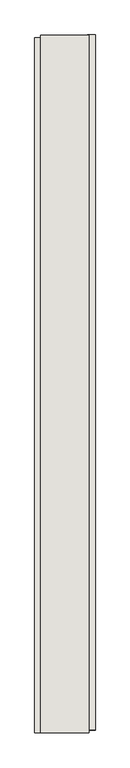
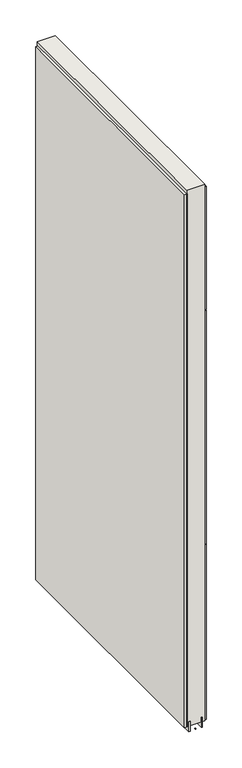
"""IFC4 building model written with IfcOpenShell, lengths in millimetres: wall geometry."""

import ifcopenshell
import ifcopenshell.guid

model = None  # the IFC model being written
_history = None  # IfcOwnerHistory: only IFC2X3 demands one
_inside = {}  # id of a spatial element -> (the spatial element, [elements in it])
_under = {}  # id of a project, library or spatial element -> (it, [spatial elements below it])
_declared = {}  # id of a project -> (the project, [libraries it declares])
_typed = {}  # id of a type object -> (the type object, [elements of that type])
_made_of = {}  # id of a material, layer set ... -> (it, [elements and type objects made of it])


def new_model(schema):
    """Start an empty IFC model of exactly this schema.

    Asked for "IFC4X3", IfcOpenShell would pick the latest addendum, in which some entities
    have other attributes; the version numbers below select the first issue.
    IFC2X3 requires an IfcOwnerHistory on every rooted entity: one is made here for all.
    """
    global model, _history
    if schema == "IFC4X3":
        model = ifcopenshell.file(schema_version=(4, 3, 0, 0))
    else:
        model = ifcopenshell.file(schema=schema)
    _inside.clear()
    _under.clear()
    _declared.clear()
    _typed.clear()
    _made_of.clear()
    _history = None
    if model.schema == "IFC2X3":
        org = make("IfcOrganization", Name="unknown")
        user = make(
            "IfcPersonAndOrganization",
            ThePerson=make("IfcPerson", FamilyName="unknown"),
            TheOrganization=org,
        )
        app = make(
            "IfcApplication",
            ApplicationDeveloper=org,
            Version="unknown",
            ApplicationFullName="unknown",
            ApplicationIdentifier="unknown",
        )
        _history = make(
            "IfcOwnerHistory",
            OwningUser=user,
            OwningApplication=app,
            ChangeAction="ADDED",
            CreationDate=0,
        )
    return model


def make(cls, **values):
    """One entity of the class cls with the attributes given. An attribute that is None is left unset."""
    return model.create_entity(
        cls, **{name: value for name, value in values.items() if value is not None}
    )


def rooted(cls, **values):
    """An entity with a GlobalId (a new one), such as an element, a storey or a relation."""
    return make(cls, GlobalId=ifcopenshell.guid.new(), OwnerHistory=_history, **values)


def si_unit(unit_type, name, prefix=None):
    """IfcSIUnit, for example si_unit("LENGTHUNIT", "METRE", prefix="MILLI")."""
    return make("IfcSIUnit", UnitType=unit_type, Prefix=prefix, Name=name)


def assignment(units):
    """IfcUnitAssignment: the units of a project."""
    return None if units is None else make("IfcUnitAssignment", Units=units)


def point(xyz):
    """IfcCartesianPoint."""
    return None if xyz is None else make("IfcCartesianPoint", Coordinates=xyz)


def direction(xyz):
    """IfcDirection."""
    return None if xyz is None else make("IfcDirection", DirectionRatios=xyz)


def frame(location, z_axis=None, x_axis=None):
    """IfcAxis2Placement3D, a coordinate frame: its origin and axes. An axis left out is left unset."""
    return make(
        "IfcAxis2Placement3D",
        Location=point(location),
        Axis=direction(z_axis),
        RefDirection=direction(x_axis),
    )


def origin():
    """The frame at (0, 0, 0) with its axes left unset."""
    return frame((0.0, 0.0, 0.0))


def place(relative_to, where):
    """IfcLocalPlacement: puts the frame where relative to a parent placement (None: the world)."""
    return make(
        "IfcLocalPlacement", PlacementRelTo=relative_to, RelativePlacement=where
    )


def context(
    kind, dimensions, precision=None, world=None, true_north=None, identifier=None
):
    """IfcGeometricRepresentationContext, for example the 3D "Model" context."""
    return make(
        "IfcGeometricRepresentationContext",
        ContextIdentifier=identifier,
        ContextType=kind,
        CoordinateSpaceDimension=dimensions,
        Precision=precision,
        WorldCoordinateSystem=world,
        TrueNorth=true_north,
    )


def project(units=None, contexts=None):
    """IfcProject with its units and contexts."""
    return rooted(
        "IfcProject",
        Name="project",
        RepresentationContexts=contexts,
        UnitsInContext=assignment(units),
    )


def spatial(cls, under=None, at=None, **own):
    """A site, building, storey or space (cls), placed at a placement, below another one or the project."""
    s = rooted(cls, ObjectPlacement=at, **own)
    if under is not None:
        _under.setdefault(under.id(), (under, []))[1].append(s)
    return s


def polyline(points):
    """IfcPolyline through the points."""
    return make("IfcPolyline", Points=[point(p) for p in points])


def outline(outer, holes=None, kind="AREA"):
    """IfcArbitraryClosedProfileDef: a profile drawn as a closed curve; with holes, ...WithVoids."""
    if holes is None:
        return make("IfcArbitraryClosedProfileDef", ProfileType=kind, OuterCurve=outer)
    return make(
        "IfcArbitraryProfileDefWithVoids",
        ProfileType=kind,
        OuterCurve=outer,
        InnerCurves=holes,
    )


def extrude(swept, where, along, depth):
    """IfcExtrudedAreaSolid: the profile swept, set in the frame where, extruded along a direction by depth."""
    return make(
        "IfcExtrudedAreaSolid",
        SweptArea=swept,
        Position=where,
        ExtrudedDirection=direction(along),
        Depth=depth,
    )


def shape(context_of_items, identifier, shape_type, items):
    """IfcShapeRepresentation: the items that make up one representation, for example the "Body"."""
    return make(
        "IfcShapeRepresentation",
        ContextOfItems=context_of_items,
        RepresentationIdentifier=identifier,
        RepresentationType=shape_type,
        Items=items,
    )


def source(mapping_origin, context_of_items, identifier, shape_type, items):
    """IfcRepresentationMap: a shape defined once, which mapped items show again and again."""
    return make(
        "IfcRepresentationMap",
        MappingOrigin=mapping_origin,
        MappedRepresentation=shape(context_of_items, identifier, shape_type, items),
    )


def transform(
    local_origin,
    x_axis=None,
    y_axis=None,
    z_axis=None,
    scale=None,
    scale2=None,
    scale3=None,
    uniform=True,
):
    """IfcCartesianTransformationOperator3D, or its non-uniform kind. x_axis, y_axis, z_axis: its Axis1, 2, 3."""
    if uniform:
        return make(
            "IfcCartesianTransformationOperator3D",
            Axis1=direction(x_axis),
            Axis2=direction(y_axis),
            LocalOrigin=point(local_origin),
            Scale=scale,
            Axis3=direction(z_axis),
        )
    return make(
        "IfcCartesianTransformationOperator3DnonUniform",
        Axis1=direction(x_axis),
        Axis2=direction(y_axis),
        LocalOrigin=point(local_origin),
        Scale=scale,
        Axis3=direction(z_axis),
        Scale2=scale2,
        Scale3=scale3,
    )


def mapped(mapping_source, mapping_target):
    """IfcMappedItem: shows the shape of a source again, moved by a transform."""
    return make(
        "IfcMappedItem", MappingSource=mapping_source, MappingTarget=mapping_target
    )


def made_of(thing, what):
    """Note that an element or type object is made of a material, layer set ...; save() writes the relation."""
    if what is not None:
        _made_of.setdefault(what.id(), (what, []))[1].append(thing)
    return thing


def element(
    cls,
    number,
    at=None,
    inside=None,
    cuts=None,
    type_object=None,
    material=None,
    context=None,
    identifier="Body",
    shape_type=None,
    held_by="IfcProductDefinitionShape",
    body=None,
    shapes=None,
    **own,
):
    """One element of the class cls, such as IfcWall. Its Tag is "e" and its number.

    at: its placement. inside: the storey or other place that contains it. cuts: it is an
    opening in that element (IfcRelVoidsElement). A single representation is given by context,
    identifier, shape_type and body (its items); several are given by shapes. held_by: the class
    of the entity that holds the representations. save() writes the other relations.
    """
    e = rooted(cls, Tag="e%d" % number, ObjectPlacement=at, **own)
    if body is not None:
        shapes = [shape(context, identifier, shape_type, body)]
    if shapes is not None:
        e.Representation = make(held_by, Representations=shapes)
    if inside is not None:
        _inside.setdefault(inside.id(), (inside, []))[1].append(e)
    if cuts is not None:
        rooted(
            "IfcRelVoidsElement", RelatingBuildingElement=cuts, RelatedOpeningElement=e
        )
    if type_object is not None:
        _typed.setdefault(type_object.id(), (type_object, []))[1].append(e)
    return made_of(e, material)


def aggregate(whole, parts):
    """IfcRelAggregates: a whole, such as a stair, and the parts it consists of."""
    return rooted("IfcRelAggregates", RelatingObject=whole, RelatedObjects=parts)


def save(model, path):
    """Write the relations noted so far, then the file.

    IfcRelAggregates (storeys below a building ...), IfcRelContainedInSpatialStructure (elements
    in a storey), IfcRelDefinesByType, IfcRelAssociatesMaterial and IfcRelDeclares: one each for
    every whole, place, type object, material and project.
    """
    for whole, parts in _under.values():
        aggregate(whole, parts)
    for where, things in _inside.values():
        rooted(
            "IfcRelContainedInSpatialStructure",
            RelatedElements=things,
            RelatingStructure=where,
        )
    for kind, things in _typed.values():
        rooted("IfcRelDefinesByType", RelatedObjects=things, RelatingType=kind)
    for what, things in _made_of.values():
        rooted("IfcRelAssociatesMaterial", RelatedObjects=things, RelatingMaterial=what)
    for by, libraries in _declared.values():
        rooted("IfcRelDeclares", RelatingContext=by, RelatedDefinitions=libraries)
    model.write(path)


def wall_7dc6230c(model_context):
    return source(origin(), model_context, "Body", "SweptSolid", [
        extrude(outline(polyline([(45724.482211, -54562.5684718), (45724.482211, -54565.1084718), (45721.942211, -54565.1084718), (45721.942211, -54562.5684718), (45724.482211, -54562.5684718)])), frame((0.0, 0.0, 4419.6), z_axis=(0.0, 0.0, 1.0), x_axis=(1.0, 0.0, 0.0)), (0.0, 0.0, 1.0), 2.54),
        extrude(outline(polyline([(45672.412211, -54565.57159), (45672.412211, -53401.171582), (45685.112211, -53401.171582), (45685.112211, -54565.57159), (45672.412211, -54565.57159)])), frame((0.0, 0.0, 4445.0), z_axis=(0.0, 0.0, 1.0), x_axis=(1.0, 0.0, 0.0)), (0.0, 0.0, 1.0), 2545.0498756),
        extrude(outline(polyline([(45774.012211, -53396.2478428), (45774.012211, -54560.6478508), (45761.312211, -54560.6478508), (45761.312211, -53396.2478428), (45774.012211, -53396.2478428)])), frame((0.0, 0.0, 6402.8000722), z_axis=(0.0, 0.0, 1.0), x_axis=(1.0, 0.0, 0.0)), (0.0, 0.0, 1.0), 587.2498034),
        extrude(outline(polyline([(45774.012211, -53396.2478428), (45774.012211, -54560.6478508), (45761.312211, -54560.6478508), (45761.312211, -53396.2478428), (45774.012211, -53396.2478428)])), frame((0.0, 0.0, 5285.2000722), z_axis=(0.0, 0.0, 1.0), x_axis=(1.0, 0.0, 0.0)), (0.0, 0.0, 1.0), 1113.5999572),
        extrude(outline(polyline([(45774.012211, -53396.2478428), (45774.012211, -54560.6478508), (45761.312211, -54560.6478508), (45761.312211, -53396.2478428), (45774.012211, -53396.2478428)])), frame((0.0, 0.0, 4445.0), z_axis=(0.0, 0.0, 1.0), x_axis=(1.0, 0.0, 0.0)), (0.0, 0.0, 1.0), 836.200004),
        extrude(outline(polyline([(45698.1315652, -53396.715914), (45698.1315652, -54565.115914), (45693.049711, -54565.115914), (45693.049711, -53396.715914), (45698.1315652, -53396.715914)])), frame((0.0, 0.0, 4418.6602), z_axis=(0.0, 0.0, 1.0), x_axis=(1.0, 0.0, 0.0)), (0.0, 0.0, 1.0), 47.625),
        extrude(outline(polyline([(45698.1315652, -53396.715914), (45698.1315652, -54565.115914), (45693.049711, -54565.115914), (45693.049711, -53396.715914), (45698.1315652, -53396.715914)])), frame((0.0, 0.0, 4418.6602), z_axis=(0.0, 0.0, 1.0), x_axis=(1.0, 0.0, 0.0)), (0.0, 0.0, 1.0), 47.625),
        extrude(outline(polyline([(45748.2959556, -54565.115914), (45748.2959556, -53396.715914), (45753.374711, -53396.715914), (45753.374711, -54565.115914), (45748.2959556, -54565.115914)])), frame((0.0, 0.0, 4418.6602), z_axis=(0.0, 0.0, 1.0), x_axis=(1.0, 0.0, 0.0)), (0.0, 0.0, 1.0), 47.625),
        extrude(outline(polyline([(45748.2959556, -54565.115914), (45748.2959556, -53396.715914), (45753.374711, -53396.715914), (45753.374711, -54565.115914), (45748.2959556, -54565.115914)])), frame((0.0, 0.0, 4418.6602), z_axis=(0.0, 0.0, 1.0), x_axis=(1.0, 0.0, 0.0)), (0.0, 0.0, 1.0), 47.625),
        extrude(outline(polyline([(45682.5604254, -53396.715914), (45763.8391808, -53396.715914), (45763.8391808, -54565.115914), (45682.5604254, -54565.115914), (45682.5604254, -53396.715914)])), frame((0.0, 0.0, 4445.0), z_axis=(0.0, 0.0, 1.0), x_axis=(1.0, 0.0, 0.0)), (0.0, 0.0, 1.0), 2562.4536762),
    ])


if __name__ == "__main__":
    model = new_model("IFC4")
    model_context = context("Model", 3, world=origin())
    ifc_project = project(units=[si_unit("LENGTHUNIT", "METRE", prefix="MILLI")], contexts=[model_context])
    site = spatial("IfcSite", under=ifc_project)
    building = spatial("IfcBuilding", under=site)
    placement = place(None, origin())
    wall_shape = wall_7dc6230c(model_context)
    element("IfcWall", 1, at=placement, inside=building, context=model_context, shape_type="MappedRepresentation", body=[
        mapped(wall_shape, transform((0.0, 0.0, 0.0), x_axis=(1.0, 0.0, 0.0), y_axis=(0.0, 1.0, 0.0), z_axis=(0.0, 0.0, 1.0))),
    ])
    save(model, "model.ifc")
